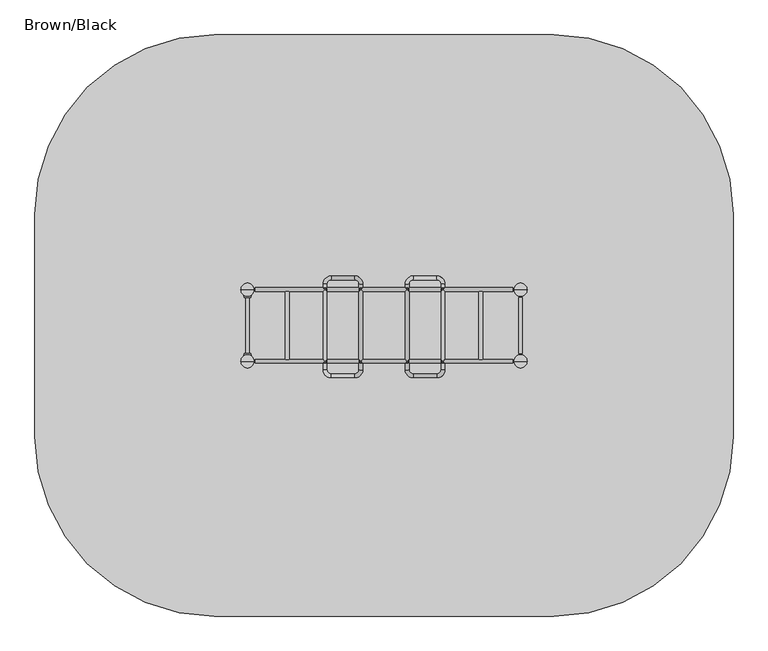
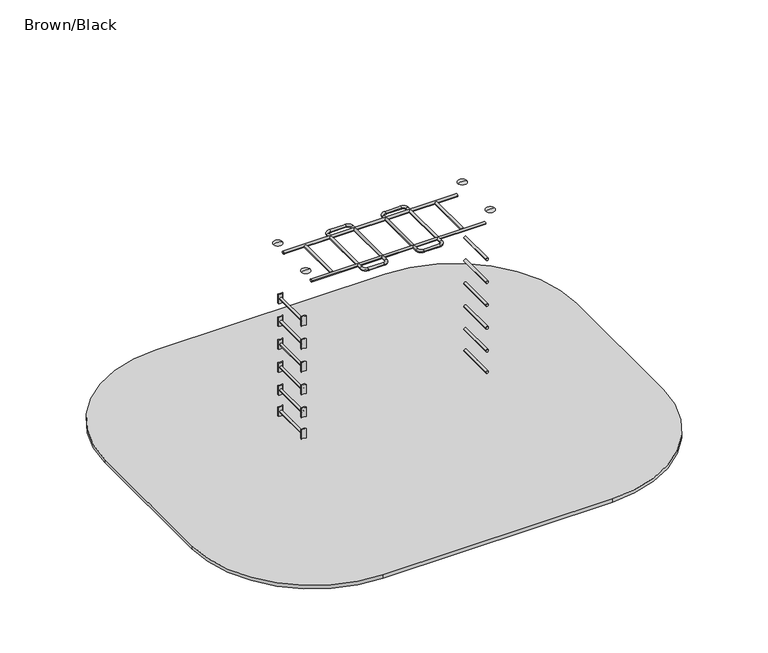
"""IFC4 building model written with IfcOpenShell, lengths in millimetres: furniture geometry, Brown/Black."""

from ifc_helpers import new_model, si_unit, point, frame, frame_2d, origin, place, context, project, spatial, polyline, circle_curve, ellipse_curve, trimmed, segment, composite_curve, outline, extrude, source, transform, mapped, element, save
from ifc_brep_helpers import plane_surface, cylinder_surface, revolved_surface, advanced_brep


def brown_black_25ac6911(model_context):
    return source(origin(), model_context, "Body", "SolidModel", [
        extrude(outline(composite_curve([segment(trimmed(circle_curve(frame_2d((-516.6300052, 757.9095317)), 1.0), [point((-517.1723266, 758.7497028))], [point((-515.6903126, 757.5675115))], False, "CARTESIAN"), True, "CONTINUOUS"), segment(polyline([(-515.6903126, 757.5675115), (-521.7605168, 740.8897626)]), True, "CONTINUOUS"), segment(trimmed(circle_curve(frame_2d((-522.7002094, 741.2317828)), 1.0), [point((-521.7605168, 740.8897626))], [point((-522.7002094, 740.2317828))], False, "CARTESIAN"), True, "CONTINUOUS"), segment(polyline([(-522.7002094, 740.2317828), (-571.2997943, 740.2317828)]), True, "CONTINUOUS"), segment(trimmed(circle_curve(frame_2d((-571.2997943, 741.2317828)), 1.0), [point((-571.2997943, 740.2317828))], [point((-572.2394869, 740.8897626))], False, "CARTESIAN"), True, "CONTINUOUS"), segment(polyline([(-572.2394869, 740.8897626), (-578.3096911, 757.5675115)]), True, "CONTINUOUS"), segment(trimmed(circle_curve(frame_2d((-577.3699985, 757.9095317)), 1.0), [point((-578.3096911, 757.5675115))], [point((-576.8276771, 758.7497028))], False, "CARTESIAN"), True, "CONTINUOUS"), segment(trimmed(circle_curve(frame_2d((-547.0000019, 804.9591151)), 55.0), [point((-576.8276771, 758.7497028))], [point((-517.1723266, 758.7497028))], True, "CARTESIAN"), True, "CONTINUOUS")], self_intersect=False)), frame((0.0, 0.0, 370.0), z_axis=(0.0, 0.0, 1.0), x_axis=(1.0, 0.0, 0.0)), (0.0, 0.0, 1.0), 120.0),
        extrude(outline(composite_curve([segment(trimmed(circle_curve(frame_2d((-577.3699948, 252.0740781)), 1.0), [point((-576.8276734, 251.233907))], [point((-578.3096874, 252.4160982))], False, "CARTESIAN"), True, "CONTINUOUS"), segment(polyline([(-578.3096874, 252.4160982), (-572.2394832, 269.0938471)]), True, "CONTINUOUS"), segment(trimmed(circle_curve(frame_2d((-571.2997906, 268.751827)), 1.0), [point((-572.2394832, 269.0938471))], [point((-571.2997906, 269.751827))], False, "CARTESIAN"), True, "CONTINUOUS"), segment(polyline([(-571.2997906, 269.751827), (-522.7002057, 269.751827)]), True, "CONTINUOUS"), segment(trimmed(circle_curve(frame_2d((-522.7002057, 268.751827)), 1.0), [point((-522.7002057, 269.751827))], [point((-521.7605131, 269.0938471))], False, "CARTESIAN"), True, "CONTINUOUS"), segment(polyline([(-521.7605131, 269.0938471), (-515.6903089, 252.4160982)]), True, "CONTINUOUS"), segment(trimmed(circle_curve(frame_2d((-516.6300015, 252.0740781)), 1.0), [point((-515.6903089, 252.4160982))], [point((-517.1723229, 251.233907))], False, "CARTESIAN"), True, "CONTINUOUS"), segment(trimmed(circle_curve(frame_2d((-546.9999981, 205.0244946)), 55.0), [point((-517.1723229, 251.233907))], [point((-576.8276734, 251.233907))], True, "CARTESIAN"), True, "CONTINUOUS")], self_intersect=False)), frame((0.0, 0.0, 370.0), z_axis=(0.0, 0.0, 1.0), x_axis=(1.0, 0.0, 0.0)), (0.0, 0.0, 1.0), 120.0),
        extrude(outline(composite_curve([segment(trimmed(circle_curve(frame_2d((-516.6300052, 757.9095317)), 1.0), [point((-517.1723266, 758.7497028))], [point((-515.6903126, 757.5675115))], False, "CARTESIAN"), True, "CONTINUOUS"), segment(polyline([(-515.6903126, 757.5675115), (-521.7605168, 740.8897626)]), True, "CONTINUOUS"), segment(trimmed(circle_curve(frame_2d((-522.7002094, 741.2317828)), 1.0), [point((-521.7605168, 740.8897626))], [point((-522.7002094, 740.2317828))], False, "CARTESIAN"), True, "CONTINUOUS"), segment(polyline([(-522.7002094, 740.2317828), (-571.2997943, 740.2317828)]), True, "CONTINUOUS"), segment(trimmed(circle_curve(frame_2d((-571.2997943, 741.2317828)), 1.0), [point((-571.2997943, 740.2317828))], [point((-572.2394869, 740.8897626))], False, "CARTESIAN"), True, "CONTINUOUS"), segment(polyline([(-572.2394869, 740.8897626), (-578.3096911, 757.5675115)]), True, "CONTINUOUS"), segment(trimmed(circle_curve(frame_2d((-577.3699985, 757.9095317)), 1.0), [point((-578.3096911, 757.5675115))], [point((-576.8276771, 758.7497028))], False, "CARTESIAN"), True, "CONTINUOUS"), segment(trimmed(circle_curve(frame_2d((-547.0000019, 804.9591151)), 55.0), [point((-576.8276771, 758.7497028))], [point((-517.1723266, 758.7497028))], True, "CARTESIAN"), True, "CONTINUOUS")], self_intersect=False)), frame((0.0, 0.0, 650.0), z_axis=(0.0, 0.0, 1.0), x_axis=(1.0, 0.0, 0.0)), (0.0, 0.0, 1.0), 120.0),
        extrude(outline(composite_curve([segment(trimmed(circle_curve(frame_2d((-577.3699948, 252.0740781)), 1.0), [point((-576.8276734, 251.233907))], [point((-578.3096874, 252.4160982))], False, "CARTESIAN"), True, "CONTINUOUS"), segment(polyline([(-578.3096874, 252.4160982), (-572.2394832, 269.0938471)]), True, "CONTINUOUS"), segment(trimmed(circle_curve(frame_2d((-571.2997906, 268.751827)), 1.0), [point((-572.2394832, 269.0938471))], [point((-571.2997906, 269.751827))], False, "CARTESIAN"), True, "CONTINUOUS"), segment(polyline([(-571.2997906, 269.751827), (-522.7002057, 269.751827)]), True, "CONTINUOUS"), segment(trimmed(circle_curve(frame_2d((-522.7002057, 268.751827)), 1.0), [point((-522.7002057, 269.751827))], [point((-521.7605131, 269.0938471))], False, "CARTESIAN"), True, "CONTINUOUS"), segment(polyline([(-521.7605131, 269.0938471), (-515.6903089, 252.4160982)]), True, "CONTINUOUS"), segment(trimmed(circle_curve(frame_2d((-516.6300015, 252.0740781)), 1.0), [point((-515.6903089, 252.4160982))], [point((-517.1723229, 251.233907))], False, "CARTESIAN"), True, "CONTINUOUS"), segment(trimmed(circle_curve(frame_2d((-546.9999981, 205.0244946)), 55.0), [point((-517.1723229, 251.233907))], [point((-576.8276734, 251.233907))], True, "CARTESIAN"), True, "CONTINUOUS")], self_intersect=False)), frame((0.0, 0.0, 650.0), z_axis=(0.0, 0.0, 1.0), x_axis=(1.0, 0.0, 0.0)), (0.0, 0.0, 1.0), 120.0),
        extrude(outline(composite_curve([segment(trimmed(circle_curve(frame_2d((-516.6300052, 757.9095317)), 1.0), [point((-517.1723266, 758.7497028))], [point((-515.6903126, 757.5675115))], False, "CARTESIAN"), True, "CONTINUOUS"), segment(polyline([(-515.6903126, 757.5675115), (-521.7605168, 740.8897626)]), True, "CONTINUOUS"), segment(trimmed(circle_curve(frame_2d((-522.7002094, 741.2317828)), 1.0), [point((-521.7605168, 740.8897626))], [point((-522.7002094, 740.2317828))], False, "CARTESIAN"), True, "CONTINUOUS"), segment(polyline([(-522.7002094, 740.2317828), (-571.2997943, 740.2317828)]), True, "CONTINUOUS"), segment(trimmed(circle_curve(frame_2d((-571.2997943, 741.2317828)), 1.0), [point((-571.2997943, 740.2317828))], [point((-572.2394869, 740.8897626))], False, "CARTESIAN"), True, "CONTINUOUS"), segment(polyline([(-572.2394869, 740.8897626), (-578.3096911, 757.5675115)]), True, "CONTINUOUS"), segment(trimmed(circle_curve(frame_2d((-577.3699985, 757.9095317)), 1.0), [point((-578.3096911, 757.5675115))], [point((-576.8276771, 758.7497028))], False, "CARTESIAN"), True, "CONTINUOUS"), segment(trimmed(circle_curve(frame_2d((-547.0000019, 804.9591151)), 55.0), [point((-576.8276771, 758.7497028))], [point((-517.1723266, 758.7497028))], True, "CARTESIAN"), True, "CONTINUOUS")], self_intersect=False)), frame((0.0, 0.0, 950.0), z_axis=(0.0, 0.0, 1.0), x_axis=(1.0, 0.0, 0.0)), (0.0, 0.0, 1.0), 120.0),
        extrude(outline(composite_curve([segment(trimmed(circle_curve(frame_2d((-577.3699948, 252.0740781)), 1.0), [point((-576.8276734, 251.233907))], [point((-578.3096874, 252.4160982))], False, "CARTESIAN"), True, "CONTINUOUS"), segment(polyline([(-578.3096874, 252.4160982), (-572.2394832, 269.0938471)]), True, "CONTINUOUS"), segment(trimmed(circle_curve(frame_2d((-571.2997906, 268.751827)), 1.0), [point((-572.2394832, 269.0938471))], [point((-571.2997906, 269.751827))], False, "CARTESIAN"), True, "CONTINUOUS"), segment(polyline([(-571.2997906, 269.751827), (-522.7002057, 269.751827)]), True, "CONTINUOUS"), segment(trimmed(circle_curve(frame_2d((-522.7002057, 268.751827)), 1.0), [point((-522.7002057, 269.751827))], [point((-521.7605131, 269.0938471))], False, "CARTESIAN"), True, "CONTINUOUS"), segment(polyline([(-521.7605131, 269.0938471), (-515.6903089, 252.4160982)]), True, "CONTINUOUS"), segment(trimmed(circle_curve(frame_2d((-516.6300015, 252.0740781)), 1.0), [point((-515.6903089, 252.4160982))], [point((-517.1723229, 251.233907))], False, "CARTESIAN"), True, "CONTINUOUS"), segment(trimmed(circle_curve(frame_2d((-546.9999981, 205.0244946)), 55.0), [point((-517.1723229, 251.233907))], [point((-576.8276734, 251.233907))], True, "CARTESIAN"), True, "CONTINUOUS")], self_intersect=False)), frame((0.0, 0.0, 950.0), z_axis=(0.0, 0.0, 1.0), x_axis=(1.0, 0.0, 0.0)), (0.0, 0.0, 1.0), 120.0),
        extrude(outline(composite_curve([segment(trimmed(circle_curve(frame_2d((-516.6300052, 757.9095317)), 1.0), [point((-517.1723266, 758.7497028))], [point((-515.6903126, 757.5675115))], False, "CARTESIAN"), True, "CONTINUOUS"), segment(polyline([(-515.6903126, 757.5675115), (-521.7605168, 740.8897626)]), True, "CONTINUOUS"), segment(trimmed(circle_curve(frame_2d((-522.7002094, 741.2317828)), 1.0), [point((-521.7605168, 740.8897626))], [point((-522.7002094, 740.2317828))], False, "CARTESIAN"), True, "CONTINUOUS"), segment(polyline([(-522.7002094, 740.2317828), (-571.2997943, 740.2317828)]), True, "CONTINUOUS"), segment(trimmed(circle_curve(frame_2d((-571.2997943, 741.2317828)), 1.0), [point((-571.2997943, 740.2317828))], [point((-572.2394869, 740.8897626))], False, "CARTESIAN"), True, "CONTINUOUS"), segment(polyline([(-572.2394869, 740.8897626), (-578.3096911, 757.5675115)]), True, "CONTINUOUS"), segment(trimmed(circle_curve(frame_2d((-577.3699985, 757.9095317)), 1.0), [point((-578.3096911, 757.5675115))], [point((-576.8276771, 758.7497028))], False, "CARTESIAN"), True, "CONTINUOUS"), segment(trimmed(circle_curve(frame_2d((-547.0000019, 804.9591151)), 55.0), [point((-576.8276771, 758.7497028))], [point((-517.1723266, 758.7497028))], True, "CARTESIAN"), True, "CONTINUOUS")], self_intersect=False)), frame((0.0, 0.0, 1250.0), z_axis=(0.0, 0.0, 1.0), x_axis=(1.0, 0.0, 0.0)), (0.0, 0.0, 1.0), 120.0),
        extrude(outline(composite_curve([segment(trimmed(circle_curve(frame_2d((-577.3699948, 252.0740781)), 1.0), [point((-576.8276734, 251.233907))], [point((-578.3096874, 252.4160982))], False, "CARTESIAN"), True, "CONTINUOUS"), segment(polyline([(-578.3096874, 252.4160982), (-572.2394832, 269.0938471)]), True, "CONTINUOUS"), segment(trimmed(circle_curve(frame_2d((-571.2997906, 268.751827)), 1.0), [point((-572.2394832, 269.0938471))], [point((-571.2997906, 269.751827))], False, "CARTESIAN"), True, "CONTINUOUS"), segment(polyline([(-571.2997906, 269.751827), (-522.7002057, 269.751827)]), True, "CONTINUOUS"), segment(trimmed(circle_curve(frame_2d((-522.7002057, 268.751827)), 1.0), [point((-522.7002057, 269.751827))], [point((-521.7605131, 269.0938471))], False, "CARTESIAN"), True, "CONTINUOUS"), segment(polyline([(-521.7605131, 269.0938471), (-515.6903089, 252.4160982)]), True, "CONTINUOUS"), segment(trimmed(circle_curve(frame_2d((-516.6300015, 252.0740781)), 1.0), [point((-515.6903089, 252.4160982))], [point((-517.1723229, 251.233907))], False, "CARTESIAN"), True, "CONTINUOUS"), segment(trimmed(circle_curve(frame_2d((-546.9999981, 205.0244946)), 55.0), [point((-517.1723229, 251.233907))], [point((-576.8276734, 251.233907))], True, "CARTESIAN"), True, "CONTINUOUS")], self_intersect=False)), frame((0.0, 0.0, 1250.0), z_axis=(0.0, 0.0, 1.0), x_axis=(1.0, 0.0, 0.0)), (0.0, 0.0, 1.0), 120.0),
        extrude(outline(composite_curve([segment(trimmed(circle_curve(frame_2d((-516.6300052, 757.9095317)), 1.0), [point((-517.1723266, 758.7497028))], [point((-515.6903126, 757.5675115))], False, "CARTESIAN"), True, "CONTINUOUS"), segment(polyline([(-515.6903126, 757.5675115), (-521.7605168, 740.8897626)]), True, "CONTINUOUS"), segment(trimmed(circle_curve(frame_2d((-522.7002094, 741.2317828)), 1.0), [point((-521.7605168, 740.8897626))], [point((-522.7002094, 740.2317828))], False, "CARTESIAN"), True, "CONTINUOUS"), segment(polyline([(-522.7002094, 740.2317828), (-571.2997943, 740.2317828)]), True, "CONTINUOUS"), segment(trimmed(circle_curve(frame_2d((-571.2997943, 741.2317828)), 1.0), [point((-571.2997943, 740.2317828))], [point((-572.2394869, 740.8897626))], False, "CARTESIAN"), True, "CONTINUOUS"), segment(polyline([(-572.2394869, 740.8897626), (-578.3096911, 757.5675115)]), True, "CONTINUOUS"), segment(trimmed(circle_curve(frame_2d((-577.3699985, 757.9095317)), 1.0), [point((-578.3096911, 757.5675115))], [point((-576.8276771, 758.7497028))], False, "CARTESIAN"), True, "CONTINUOUS"), segment(trimmed(circle_curve(frame_2d((-547.0000019, 804.9591151)), 55.0), [point((-576.8276771, 758.7497028))], [point((-517.1723266, 758.7497028))], True, "CARTESIAN"), True, "CONTINUOUS")], self_intersect=False)), frame((0.0, 0.0, 1550.0), z_axis=(0.0, 0.0, 1.0), x_axis=(1.0, 0.0, 0.0)), (0.0, 0.0, 1.0), 120.0),
        extrude(outline(composite_curve([segment(trimmed(circle_curve(frame_2d((-577.3699948, 252.0740781)), 1.0), [point((-576.8276734, 251.233907))], [point((-578.3096874, 252.4160982))], False, "CARTESIAN"), True, "CONTINUOUS"), segment(polyline([(-578.3096874, 252.4160982), (-572.2394832, 269.0938471)]), True, "CONTINUOUS"), segment(trimmed(circle_curve(frame_2d((-571.2997906, 268.751827)), 1.0), [point((-572.2394832, 269.0938471))], [point((-571.2997906, 269.751827))], False, "CARTESIAN"), True, "CONTINUOUS"), segment(polyline([(-571.2997906, 269.751827), (-522.7002057, 269.751827)]), True, "CONTINUOUS"), segment(trimmed(circle_curve(frame_2d((-522.7002057, 268.751827)), 1.0), [point((-522.7002057, 269.751827))], [point((-521.7605131, 269.0938471))], False, "CARTESIAN"), True, "CONTINUOUS"), segment(polyline([(-521.7605131, 269.0938471), (-515.6903089, 252.4160982)]), True, "CONTINUOUS"), segment(trimmed(circle_curve(frame_2d((-516.6300015, 252.0740781)), 1.0), [point((-515.6903089, 252.4160982))], [point((-517.1723229, 251.233907))], False, "CARTESIAN"), True, "CONTINUOUS"), segment(trimmed(circle_curve(frame_2d((-546.9999981, 205.0244946)), 55.0), [point((-517.1723229, 251.233907))], [point((-576.8276734, 251.233907))], True, "CARTESIAN"), True, "CONTINUOUS")], self_intersect=False)), frame((0.0, 0.0, 1550.0), z_axis=(0.0, 0.0, 1.0), x_axis=(1.0, 0.0, 0.0)), (0.0, 0.0, 1.0), 120.0),
        advanced_brep(
        [(1794.0, 805.0, 2600.0), (1684.0, 805.0, 2600.0), (1739.0, 805.0, 2612.0246565), (1739.0, 805.0, 2600.0)],
        [
            (0, 1, circle_curve(frame((1739.0, 805.0, 2600.0), z_axis=(0.0, 0.0, 1.0), x_axis=(-1.0, 0.0, 0.0)), 55.0)),
            (1, 2, circle_curve(frame((1734.4549856, 805.0, 2501.0177111), z_axis=(0.0, 1.0, 0.0), x_axis=(-1.0, 0.0, 0.0)), 111.0999509)),
            (2, 0, circle_curve(frame((1743.5450144, 805.0, 2501.0177111), z_axis=(0.0, 1.0, 0.0), x_axis=(1.0, 0.0, 0.0)), 111.0999509)),
            (1, 0, circle_curve(frame((1739.0, 805.0, 2600.0), z_axis=(0.0, 0.0, 1.0), x_axis=(-1.0, 0.0, 0.0)), 55.0)),
            (3, 1),
            (0, 3),
        ],
        [
            revolved_surface(trimmed(ellipse_curve(frame((1734.4549856, 805.0, 2501.0177111), z_axis=(0.0, -1.0, 0.0), x_axis=(-1.0, 0.0, 0.0)), 111.0999509, 111.0999509), [point((1739.0, 805.0, 2612.0246565))], [point((1684.0, 805.0, 2600.0))], True, "CARTESIAN"), (1739.0, 805.0, 2219.0), (0.0, 0.0, -1.0)),
            plane_surface(frame((1739.0, 805.0, 2600.0), z_axis=(0.0, 0.0, -1.0), x_axis=(-1.0, 0.0, 0.0))),
        ],
        [
            (0, [[1, 2, 3]]),
            (0, [[4, -3, -2]]),
            (1, [[5, -1, 6]]),
            (1, [[-6, -4, -5]]),
        ],
    ),
        extrude(outline(composite_curve([segment(trimmed(circle_curve(frame_2d((-516.6300052, 757.9095317)), 1.0), [point((-517.1723266, 758.7497028))], [point((-515.6903126, 757.5675115))], False, "CARTESIAN"), True, "CONTINUOUS"), segment(polyline([(-515.6903126, 757.5675115), (-521.7605168, 740.8897626)]), True, "CONTINUOUS"), segment(trimmed(circle_curve(frame_2d((-522.7002094, 741.2317828)), 1.0), [point((-521.7605168, 740.8897626))], [point((-522.7002094, 740.2317828))], False, "CARTESIAN"), True, "CONTINUOUS"), segment(polyline([(-522.7002094, 740.2317828), (-571.2997943, 740.2317828)]), True, "CONTINUOUS"), segment(trimmed(circle_curve(frame_2d((-571.2997943, 741.2317828)), 1.0), [point((-571.2997943, 740.2317828))], [point((-572.2394869, 740.8897626))], False, "CARTESIAN"), True, "CONTINUOUS"), segment(polyline([(-572.2394869, 740.8897626), (-578.3096911, 757.5675115)]), True, "CONTINUOUS"), segment(trimmed(circle_curve(frame_2d((-577.3699985, 757.9095317)), 1.0), [point((-578.3096911, 757.5675115))], [point((-576.8276771, 758.7497028))], False, "CARTESIAN"), True, "CONTINUOUS"), segment(trimmed(circle_curve(frame_2d((-547.0000019, 804.9591151)), 55.0), [point((-576.8276771, 758.7497028))], [point((-517.1723266, 758.7497028))], True, "CARTESIAN"), True, "CONTINUOUS")], self_intersect=False)), frame((0.0, 0.0, 1850.0), z_axis=(0.0, 0.0, 1.0), x_axis=(1.0, 0.0, 0.0)), (0.0, 0.0, 1.0), 120.0),
        extrude(outline(composite_curve([segment(trimmed(circle_curve(frame_2d((-577.3699948, 252.0740781)), 1.0), [point((-576.8276734, 251.233907))], [point((-578.3096874, 252.4160982))], False, "CARTESIAN"), True, "CONTINUOUS"), segment(polyline([(-578.3096874, 252.4160982), (-572.2394832, 269.0938471)]), True, "CONTINUOUS"), segment(trimmed(circle_curve(frame_2d((-571.2997906, 268.751827)), 1.0), [point((-572.2394832, 269.0938471))], [point((-571.2997906, 269.751827))], False, "CARTESIAN"), True, "CONTINUOUS"), segment(polyline([(-571.2997906, 269.751827), (-522.7002057, 269.751827)]), True, "CONTINUOUS"), segment(trimmed(circle_curve(frame_2d((-522.7002057, 268.751827)), 1.0), [point((-522.7002057, 269.751827))], [point((-521.7605131, 269.0938471))], False, "CARTESIAN"), True, "CONTINUOUS"), segment(polyline([(-521.7605131, 269.0938471), (-515.6903089, 252.4160982)]), True, "CONTINUOUS"), segment(trimmed(circle_curve(frame_2d((-516.6300015, 252.0740781)), 1.0), [point((-515.6903089, 252.4160982))], [point((-517.1723229, 251.233907))], False, "CARTESIAN"), True, "CONTINUOUS"), segment(trimmed(circle_curve(frame_2d((-546.9999981, 205.0244946)), 55.0), [point((-517.1723229, 251.233907))], [point((-576.8276734, 251.233907))], True, "CARTESIAN"), True, "CONTINUOUS")], self_intersect=False)), frame((0.0, 0.0, 1850.0), z_axis=(0.0, 0.0, 1.0), x_axis=(1.0, 0.0, 0.0)), (0.0, 0.0, 1.0), 120.0),
        advanced_brep(
        [(-492.0, 805.0, 2600.0), (-602.0, 805.0, 2600.0), (-547.0, 805.0, 2612.0246565), (-547.0, 805.0, 2600.0)],
        [
            (0, 1, circle_curve(frame((-547.0, 805.0, 2600.0), z_axis=(0.0, 0.0, 1.0), x_axis=(-1.0, 0.0, 0.0)), 55.0)),
            (1, 2, circle_curve(frame((-551.5450144, 805.0, 2501.0177111), z_axis=(0.0, 1.0, 0.0), x_axis=(-1.0, 0.0, 0.0)), 111.0999509)),
            (2, 0, circle_curve(frame((-542.4549856, 805.0, 2501.0177111), z_axis=(0.0, 1.0, 0.0), x_axis=(1.0, 0.0, 0.0)), 111.0999509)),
            (1, 0, circle_curve(frame((-547.0, 805.0, 2600.0), z_axis=(0.0, 0.0, 1.0), x_axis=(-1.0, 0.0, 0.0)), 55.0)),
            (3, 1),
            (0, 3),
        ],
        [
            revolved_surface(trimmed(ellipse_curve(frame((-551.5450144, 805.0, 2501.0177111), z_axis=(0.0, -1.0, 0.0), x_axis=(-1.0, 0.0, 0.0)), 111.0999509, 111.0999509), [point((-547.0, 805.0, 2612.0246565))], [point((-602.0, 805.0, 2600.0))], True, "CARTESIAN"), (-547.0, 805.0, 2219.0), (0.0, 0.0, -1.0)),
            plane_surface(frame((-547.0, 805.0, 2600.0), z_axis=(0.0, 0.0, -1.0), x_axis=(-1.0, 0.0, 0.0))),
        ],
        [
            (0, [[1, 2, 3]]),
            (0, [[4, -3, -2]]),
            (1, [[5, -1, 6]]),
            (1, [[-6, -4, -5]]),
        ],
    ),
        advanced_brep(
        [(1794.0, 205.0, 2600.0), (1684.0, 205.0, 2600.0), (1739.0, 205.0, 2612.0246565), (1739.0, 205.0, 2600.0)],
        [
            (0, 1, circle_curve(frame((1739.0, 205.0, 2600.0), z_axis=(0.0, 0.0, 1.0), x_axis=(-1.0, 0.0, 0.0)), 55.0)),
            (1, 2, circle_curve(frame((1734.4549856, 205.0, 2501.0177111), z_axis=(0.0, 1.0, 0.0), x_axis=(-1.0, 0.0, 0.0)), 111.0999509)),
            (2, 0, circle_curve(frame((1743.5450144, 205.0, 2501.0177111), z_axis=(0.0, 1.0, 0.0), x_axis=(1.0, 0.0, 0.0)), 111.0999509)),
            (1, 0, circle_curve(frame((1739.0, 205.0, 2600.0), z_axis=(0.0, 0.0, 1.0), x_axis=(-1.0, 0.0, 0.0)), 55.0)),
            (3, 1),
            (0, 3),
        ],
        [
            revolved_surface(trimmed(ellipse_curve(frame((1734.4549856, 205.0, 2501.0177111), z_axis=(0.0, -1.0, 0.0), x_axis=(-1.0, 0.0, 0.0)), 111.0999509, 111.0999509), [point((1739.0, 205.0, 2612.0246565))], [point((1684.0, 205.0, 2600.0))], True, "CARTESIAN"), (1739.0, 205.0, 2219.0), (0.0, 0.0, -1.0)),
            plane_surface(frame((1739.0, 205.0, 2600.0), z_axis=(0.0, 0.0, -1.0), x_axis=(-1.0, 0.0, 0.0))),
        ],
        [
            (0, [[1, 2, 3]]),
            (0, [[4, -3, -2]]),
            (1, [[5, -1, 6]]),
            (1, [[-6, -4, -5]]),
        ],
    ),
        advanced_brep(
        [(-492.0, 205.0, 2600.0), (-602.0, 205.0, 2600.0), (-547.0, 205.0, 2612.0246565), (-547.0, 205.0, 2600.0)],
        [
            (0, 1, circle_curve(frame((-547.0, 205.0, 2600.0), z_axis=(0.0, 0.0, 1.0), x_axis=(-1.0, 0.0, 0.0)), 55.0)),
            (1, 2, circle_curve(frame((-551.5450144, 205.0, 2501.0177111), z_axis=(0.0, 1.0, 0.0), x_axis=(-1.0, 0.0, 0.0)), 111.0999509)),
            (2, 0, circle_curve(frame((-542.4549856, 205.0, 2501.0177111), z_axis=(0.0, 1.0, 0.0), x_axis=(1.0, 0.0, 0.0)), 111.0999509)),
            (1, 0, circle_curve(frame((-547.0, 205.0, 2600.0), z_axis=(0.0, 0.0, 1.0), x_axis=(-1.0, 0.0, 0.0)), 55.0)),
            (3, 1),
            (0, 3),
        ],
        [
            revolved_surface(trimmed(ellipse_curve(frame((-551.5450144, 205.0, 2501.0177111), z_axis=(0.0, -1.0, 0.0), x_axis=(-1.0, 0.0, 0.0)), 111.0999509, 111.0999509), [point((-547.0, 205.0, 2612.0246565))], [point((-602.0, 205.0, 2600.0))], True, "CARTESIAN"), (-547.0, 205.0, 2219.0), (0.0, 0.0, -1.0)),
            plane_surface(frame((-547.0, 205.0, 2600.0), z_axis=(0.0, 0.0, -1.0), x_axis=(-1.0, 0.0, 0.0))),
        ],
        [
            (0, [[1, 2, 3]]),
            (0, [[4, -3, -2]]),
            (1, [[5, -1, 6]]),
            (1, [[-6, -4, -5]]),
        ],
    ),
        extrude(outline(composite_curve([segment(trimmed(circle_curve(frame_2d((2450.015973, 1405.8153851)), 16.0), [point((2450.015973, 1421.8153851))], [point((2450.015973, 1389.8153851))], False, "CARTESIAN"), True, "CONTINUOUS"), segment(trimmed(circle_curve(frame_2d((2450.015973, 1405.8153851)), 16.0), [point((2450.015973, 1389.8153851))], [point((2450.015973, 1421.8153851))], False, "CARTESIAN"), True, "CONTINUOUS")], self_intersect=False)), frame((0.0, 221.0000669, 0.0), z_axis=(0.0, 1.0, 0.0), x_axis=(0.0, 0.0, 1.0)), (0.0, 0.0, 1.0), 567.999459),
        advanced_brep(
        [(773.5039095, 853.7235244, 2450.015973), (839.5039095, 919.7235244, 2450.015973), (839.5039095, 887.7235244, 2450.015973), (805.5039095, 853.7235244, 2450.015973), (805.5039095, 133.7235244, 2450.015973), (773.5039095, 133.7235244, 2450.015973), (839.5039095, 67.7235244, 2450.015973), (839.5039095, 99.7235244, 2450.015973), (1039.5039095, 99.7235244, 2450.015973), (1039.5039095, 67.7235244, 2450.015973), (1105.5039095, 133.7235244, 2450.015973), (1073.5039095, 133.7235244, 2450.015973), (1073.5039095, 853.7235244, 2450.015973), (1105.5039095, 853.7235244, 2450.015973), (1039.5039095, 919.7235244, 2450.015973), (1039.5039095, 887.7235244, 2450.015973)],
        [
            (0, 1, circle_curve(frame((839.5039095, 853.7235244, 2450.015973), z_axis=(0.0, 0.0, -1.0), x_axis=(0.0, 1.0, 0.0)), 66.0)),
            (1, 2, circle_curve(frame((839.5039095, 903.7235244, 2450.015973), z_axis=(-1.0, 0.0, 0.0), x_axis=(0.0, -1.0, 0.0)), 16.0)),
            (2, 3, circle_curve(frame((839.5039095, 853.7235244, 2450.015973), z_axis=(0.0, 0.0, 1.0), x_axis=(0.0, 1.0, 0.0)), 34.0)),
            (3, 0, circle_curve(frame((789.5039095, 853.7235244, 2450.015973), z_axis=(0.0, 1.0, 0.0), x_axis=(1.0, 0.0, 0.0)), 16.0)),
            (2, 1, circle_curve(frame((839.5039095, 903.7235244, 2450.015973), z_axis=(-1.0, 0.0, 0.0), x_axis=(0.0, -1.0, 0.0)), 16.0)),
            (0, 3, circle_curve(frame((789.5039095, 853.7235244, 2450.015973), z_axis=(0.0, 1.0, 0.0), x_axis=(1.0, 0.0, 0.0)), 16.0)),
            (3, 4),
            (4, 5, circle_curve(frame((789.5039095, 133.7235244, 2450.015973), z_axis=(0.0, 1.0, 0.0), x_axis=(1.0, 0.0, 0.0)), 16.0)),
            (5, 0),
            (5, 4, circle_curve(frame((789.5039095, 133.7235244, 2450.015973), z_axis=(0.0, 1.0, 0.0), x_axis=(1.0, 0.0, 0.0)), 16.0)),
            (6, 5, circle_curve(frame((839.5039095, 133.7235244, 2450.015973), z_axis=(0.0, 0.0, -1.0), x_axis=(-1.0, 0.0, 0.0)), 66.0)),
            (4, 7, circle_curve(frame((839.5039095, 133.7235244, 2450.015973), z_axis=(0.0, 0.0, 1.0), x_axis=(-1.0, 0.0, 0.0)), 34.0)),
            (7, 6, circle_curve(frame((839.5039095, 83.7235244, 2450.015973), z_axis=(-1.0, 0.0, 0.0), x_axis=(0.0, 1.0, 0.0)), 16.0)),
            (6, 7, circle_curve(frame((839.5039095, 83.7235244, 2450.015973), z_axis=(-1.0, 0.0, 0.0), x_axis=(0.0, 1.0, 0.0)), 16.0)),
            (7, 8),
            (8, 9, circle_curve(frame((1039.5039095, 83.7235244, 2450.015973), z_axis=(-1.0, 0.0, 0.0), x_axis=(0.0, 1.0, 0.0)), 16.0)),
            (9, 6),
            (9, 8, circle_curve(frame((1039.5039095, 83.7235244, 2450.015973), z_axis=(-1.0, 0.0, 0.0), x_axis=(0.0, 1.0, 0.0)), 16.0)),
            (10, 9, circle_curve(frame((1039.5039095, 133.7235244, 2450.015973), z_axis=(0.0, 0.0, -1.0), x_axis=(0.0, -1.0, 0.0)), 66.0)),
            (8, 11, circle_curve(frame((1039.5039095, 133.7235244, 2450.015973), z_axis=(0.0, 0.0, 1.0), x_axis=(0.0, -1.0, 0.0)), 34.0)),
            (11, 10, circle_curve(frame((1089.5039095, 133.7235244, 2450.015973), z_axis=(0.0, -1.0, 0.0), x_axis=(-1.0, 0.0, 0.0)), 16.0)),
            (10, 11, circle_curve(frame((1089.5039095, 133.7235244, 2450.015973), z_axis=(0.0, -1.0, 0.0), x_axis=(-1.0, 0.0, 0.0)), 16.0)),
            (11, 12),
            (12, 13, circle_curve(frame((1089.5039095, 853.7235244, 2450.015973), z_axis=(0.0, -1.0, 0.0), x_axis=(-1.0, 0.0, 0.0)), 16.0)),
            (13, 10),
            (13, 12, circle_curve(frame((1089.5039095, 853.7235244, 2450.015973), z_axis=(0.0, -1.0, 0.0), x_axis=(-1.0, 0.0, 0.0)), 16.0)),
            (14, 13, circle_curve(frame((1039.5039095, 853.7235244, 2450.015973), z_axis=(0.0, 0.0, -1.0), x_axis=(1.0, 0.0, 0.0)), 66.0)),
            (12, 15, circle_curve(frame((1039.5039095, 853.7235244, 2450.015973), z_axis=(0.0, 0.0, 1.0), x_axis=(1.0, 0.0, 0.0)), 34.0)),
            (15, 14, circle_curve(frame((1039.5039095, 903.7235244, 2450.015973), z_axis=(1.0, 0.0, 0.0), x_axis=(0.0, -1.0, 0.0)), 16.0)),
            (14, 15, circle_curve(frame((1039.5039095, 903.7235244, 2450.015973), z_axis=(1.0, 0.0, 0.0), x_axis=(0.0, -1.0, 0.0)), 16.0)),
            (15, 2),
            (1, 14),
        ],
        [
            revolved_surface(trimmed(ellipse_curve(frame((839.5039095, 903.7235244, 2450.015973), z_axis=(1.0, 0.0, 0.0), x_axis=(0.0, -1.0, 0.0)), 16.0, 16.0), [point((839.5039095, 887.7235244, 2450.015973))], [point((839.5039095, 919.7235244, 2450.015973))], True, "CARTESIAN"), (839.5039095, 853.7235244, 2450.015973), (0.0, 0.0, 1.0)),
            revolved_surface(trimmed(ellipse_curve(frame((839.5039095, 903.7235244, 2450.015973), z_axis=(1.0, 0.0, 0.0), x_axis=(0.0, -1.0, 0.0)), 16.0, 16.0), [point((839.5039095, 919.7235244, 2450.015973))], [point((839.5039095, 887.7235244, 2450.015973))], True, "CARTESIAN"), (839.5039095, 853.7235244, 2450.015973), (0.0, 0.0, 1.0)),
            cylinder_surface(frame((789.5039095, 853.7235244, 2450.015973), z_axis=(0.0, 1.0, 0.0), x_axis=(1.0, 0.0, 0.0)), 16.0),
            revolved_surface(trimmed(ellipse_curve(frame((789.5039095, 133.7235244, 2450.015973), z_axis=(0.0, 1.0, 0.0), x_axis=(1.0, 0.0, 0.0)), 16.0, 16.0), [point((805.5039095, 133.7235244, 2450.015973))], [point((773.5039095, 133.7235244, 2450.015973))], True, "CARTESIAN"), (839.5039095, 133.7235244, 2450.015973), (0.0, 0.0, 1.0)),
            revolved_surface(trimmed(ellipse_curve(frame((789.5039095, 133.7235244, 2450.015973), z_axis=(0.0, 1.0, 0.0), x_axis=(1.0, 0.0, 0.0)), 16.0, 16.0), [point((773.5039095, 133.7235244, 2450.015973))], [point((805.5039095, 133.7235244, 2450.015973))], True, "CARTESIAN"), (839.5039095, 133.7235244, 2450.015973), (0.0, 0.0, 1.0)),
            cylinder_surface(frame((839.5039095, 83.7235244, 2450.015973), z_axis=(-1.0, 0.0, 0.0), x_axis=(0.0, 1.0, 0.0)), 16.0),
            revolved_surface(trimmed(ellipse_curve(frame((1039.5039095, 83.7235244, 2450.015973), z_axis=(-1.0, 0.0, 0.0), x_axis=(0.0, 1.0, 0.0)), 16.0, 16.0), [point((1039.5039095, 99.7235244, 2450.015973))], [point((1039.5039095, 67.7235244, 2450.015973))], True, "CARTESIAN"), (1039.5039095, 133.7235244, 2450.015973), (0.0, 0.0, 1.0)),
            revolved_surface(trimmed(ellipse_curve(frame((1039.5039095, 83.7235244, 2450.015973), z_axis=(-1.0, 0.0, 0.0), x_axis=(0.0, 1.0, 0.0)), 16.0, 16.0), [point((1039.5039095, 67.7235244, 2450.015973))], [point((1039.5039095, 99.7235244, 2450.015973))], True, "CARTESIAN"), (1039.5039095, 133.7235244, 2450.015973), (0.0, 0.0, 1.0)),
            cylinder_surface(frame((1089.5039095, 133.7235244, 2450.015973), z_axis=(0.0, -1.0, 0.0), x_axis=(-1.0, 0.0, 0.0)), 16.0),
            revolved_surface(trimmed(ellipse_curve(frame((1089.5039095, 853.7235244, 2450.015973), z_axis=(0.0, -1.0, 0.0), x_axis=(-1.0, 0.0, 0.0)), 16.0, 16.0), [point((1073.5039095, 853.7235244, 2450.015973))], [point((1105.5039095, 853.7235244, 2450.015973))], True, "CARTESIAN"), (1039.5039095, 853.7235244, 2450.015973), (0.0, 0.0, 1.0)),
            revolved_surface(trimmed(ellipse_curve(frame((1089.5039095, 853.7235244, 2450.015973), z_axis=(0.0, -1.0, 0.0), x_axis=(-1.0, 0.0, 0.0)), 16.0, 16.0), [point((1105.5039095, 853.7235244, 2450.015973))], [point((1073.5039095, 853.7235244, 2450.015973))], True, "CARTESIAN"), (1039.5039095, 853.7235244, 2450.015973), (0.0, 0.0, 1.0)),
            cylinder_surface(frame((1039.5039095, 903.7235244, 2450.015973), z_axis=(1.0, 0.0, 0.0), x_axis=(0.0, -1.0, 0.0)), 16.0),
        ],
        [
            (0, [[1, 2, 3, 4]]),
            (1, [[-3, 5, -1, 6]]),
            (2, [[-4, 7, 8, 9]]),
            (2, [[-6, -9, 10, -7]]),
            (3, [[11, -8, 12, 13]]),
            (4, [[-12, -10, -11, 14]]),
            (5, [[-13, 15, 16, 17]]),
            (5, [[-14, -17, 18, -15]]),
            (6, [[19, -16, 20, 21]]),
            (7, [[-20, -18, -19, 22]]),
            (8, [[-21, 23, 24, 25]]),
            (8, [[-22, -25, 26, -23]]),
            (9, [[27, -24, 28, 29]]),
            (10, [[-28, -26, -27, 30]]),
            (11, [[-29, 31, -2, 32]]),
            (11, [[-30, -32, -5, -31]]),
        ],
    ),
        extrude(outline(composite_curve([segment(trimmed(circle_curve(frame_2d((2450.015973, -213.8153851)), 16.0), [point((2450.015973, -229.8153851))], [point((2450.015973, -197.8153851))], False, "CARTESIAN"), True, "CONTINUOUS"), segment(trimmed(circle_curve(frame_2d((2450.015973, -213.8153851)), 16.0), [point((2450.015973, -197.8153851))], [point((2450.015973, -229.8153851))], False, "CARTESIAN"), True, "CONTINUOUS")], self_intersect=False)), frame((0.0, 221.0000669, 0.0), z_axis=(0.0, 1.0, 0.0), x_axis=(0.0, 0.0, 1.0)), (0.0, 0.0, 1.0), 567.999459),
        advanced_brep(
        [(418.4960905, 853.7235244, 2450.015973), (352.4960905, 919.7235244, 2450.015973), (352.4960905, 887.7235244, 2450.015973), (386.4960905, 853.7235244, 2450.015973), (386.4960905, 133.7235244, 2450.015973), (418.4960905, 133.7235244, 2450.015973), (352.4960905, 67.7235244, 2450.015973), (352.4960905, 99.7235244, 2450.015973), (152.4960905, 99.7235244, 2450.015973), (152.4960905, 67.7235244, 2450.015973), (86.4960905, 133.7235244, 2450.015973), (118.4960905, 133.7235244, 2450.015973), (118.4960905, 853.7235244, 2450.015973), (86.4960905, 853.7235244, 2450.015973), (152.4960905, 919.7235244, 2450.015973), (152.4960905, 887.7235244, 2450.015973)],
        [
            (0, 1, circle_curve(frame((352.4960905, 853.7235244, 2450.015973), z_axis=(0.0, 0.0, 1.0), x_axis=(0.0, 1.0, 0.0)), 66.0)),
            (1, 2, circle_curve(frame((352.4960905, 903.7235244, 2450.015973), z_axis=(1.0, 0.0, 0.0), x_axis=(0.0, 1.0, 0.0)), 16.0)),
            (2, 3, circle_curve(frame((352.4960905, 853.7235244, 2450.015973), z_axis=(0.0, 0.0, -1.0), x_axis=(0.0, 1.0, 0.0)), 34.0)),
            (3, 0, circle_curve(frame((402.4960905, 853.7235244, 2450.015973), z_axis=(0.0, 1.0, 0.0), x_axis=(1.0, 0.0, 0.0)), 16.0)),
            (2, 1, circle_curve(frame((352.4960905, 903.7235244, 2450.015973), z_axis=(1.0, 0.0, 0.0), x_axis=(0.0, 1.0, 0.0)), 16.0)),
            (0, 3, circle_curve(frame((402.4960905, 853.7235244, 2450.015973), z_axis=(0.0, 1.0, 0.0), x_axis=(1.0, 0.0, 0.0)), 16.0)),
            (3, 4),
            (4, 5, circle_curve(frame((402.4960905, 133.7235244, 2450.015973), z_axis=(0.0, 1.0, 0.0), x_axis=(1.0, 0.0, 0.0)), 16.0)),
            (5, 0),
            (5, 4, circle_curve(frame((402.4960905, 133.7235244, 2450.015973), z_axis=(0.0, 1.0, 0.0), x_axis=(1.0, 0.0, 0.0)), 16.0)),
            (6, 5, circle_curve(frame((352.4960905, 133.7235244, 2450.015973), z_axis=(0.0, 0.0, 1.0), x_axis=(1.0, 0.0, 0.0)), 66.0)),
            (4, 7, circle_curve(frame((352.4960905, 133.7235244, 2450.015973), z_axis=(0.0, 0.0, -1.0), x_axis=(1.0, 0.0, 0.0)), 34.0)),
            (7, 6, circle_curve(frame((352.4960905, 83.7235244, 2450.015973), z_axis=(1.0, 0.0, 0.0), x_axis=(0.0, -1.0, 0.0)), 16.0)),
            (6, 7, circle_curve(frame((352.4960905, 83.7235244, 2450.015973), z_axis=(1.0, 0.0, 0.0), x_axis=(0.0, -1.0, 0.0)), 16.0)),
            (7, 8),
            (8, 9, circle_curve(frame((152.4960905, 83.7235244, 2450.015973), z_axis=(1.0, 0.0, 0.0), x_axis=(0.0, -1.0, 0.0)), 16.0)),
            (9, 6),
            (9, 8, circle_curve(frame((152.4960905, 83.7235244, 2450.015973), z_axis=(1.0, 0.0, 0.0), x_axis=(0.0, -1.0, 0.0)), 16.0)),
            (10, 9, circle_curve(frame((152.4960905, 133.7235244, 2450.015973), z_axis=(0.0, 0.0, 1.0), x_axis=(0.0, -1.0, 0.0)), 66.0)),
            (8, 11, circle_curve(frame((152.4960905, 133.7235244, 2450.015973), z_axis=(0.0, 0.0, -1.0), x_axis=(0.0, -1.0, 0.0)), 34.0)),
            (11, 10, circle_curve(frame((102.4960905, 133.7235244, 2450.015973), z_axis=(0.0, -1.0, 0.0), x_axis=(-1.0, 0.0, 0.0)), 16.0)),
            (10, 11, circle_curve(frame((102.4960905, 133.7235244, 2450.015973), z_axis=(0.0, -1.0, 0.0), x_axis=(-1.0, 0.0, 0.0)), 16.0)),
            (11, 12),
            (12, 13, circle_curve(frame((102.4960905, 853.7235244, 2450.015973), z_axis=(0.0, -1.0, 0.0), x_axis=(-1.0, 0.0, 0.0)), 16.0)),
            (13, 10),
            (13, 12, circle_curve(frame((102.4960905, 853.7235244, 2450.015973), z_axis=(0.0, -1.0, 0.0), x_axis=(-1.0, 0.0, 0.0)), 16.0)),
            (14, 13, circle_curve(frame((152.4960905, 853.7235244, 2450.015973), z_axis=(0.0, 0.0, 1.0), x_axis=(-1.0, 0.0, 0.0)), 66.0)),
            (12, 15, circle_curve(frame((152.4960905, 853.7235244, 2450.015973), z_axis=(0.0, 0.0, -1.0), x_axis=(-1.0, 0.0, 0.0)), 34.0)),
            (15, 14, circle_curve(frame((152.4960905, 903.7235244, 2450.015973), z_axis=(-1.0, 0.0, 0.0), x_axis=(0.0, 1.0, 0.0)), 16.0)),
            (14, 15, circle_curve(frame((152.4960905, 903.7235244, 2450.015973), z_axis=(-1.0, 0.0, 0.0), x_axis=(0.0, 1.0, 0.0)), 16.0)),
            (15, 2),
            (1, 14),
        ],
        [
            revolved_surface(trimmed(ellipse_curve(frame((352.4960905, 903.7235244, 2450.015973), z_axis=(-1.0, 0.0, 0.0), x_axis=(0.0, 1.0, 0.0)), 16.0, 16.0), [point((352.4960905, 887.7235244, 2450.015973))], [point((352.4960905, 919.7235244, 2450.015973))], True, "CARTESIAN"), (352.4960905, 853.7235244, 2450.015973), (0.0, 0.0, -1.0)),
            revolved_surface(trimmed(ellipse_curve(frame((352.4960905, 903.7235244, 2450.015973), z_axis=(-1.0, 0.0, 0.0), x_axis=(0.0, 1.0, 0.0)), 16.0, 16.0), [point((352.4960905, 919.7235244, 2450.015973))], [point((352.4960905, 887.7235244, 2450.015973))], True, "CARTESIAN"), (352.4960905, 853.7235244, 2450.015973), (0.0, 0.0, -1.0)),
            cylinder_surface(frame((402.4960905, 853.7235244, 2450.015973), z_axis=(0.0, 1.0, 0.0), x_axis=(1.0, 0.0, 0.0)), 16.0),
            revolved_surface(trimmed(ellipse_curve(frame((402.4960905, 133.7235244, 2450.015973), z_axis=(0.0, 1.0, 0.0), x_axis=(1.0, 0.0, 0.0)), 16.0, 16.0), [point((386.4960905, 133.7235244, 2450.015973))], [point((418.4960905, 133.7235244, 2450.015973))], True, "CARTESIAN"), (352.4960905, 133.7235244, 2450.015973), (0.0, 0.0, -1.0)),
            revolved_surface(trimmed(ellipse_curve(frame((402.4960905, 133.7235244, 2450.015973), z_axis=(0.0, 1.0, 0.0), x_axis=(1.0, 0.0, 0.0)), 16.0, 16.0), [point((418.4960905, 133.7235244, 2450.015973))], [point((386.4960905, 133.7235244, 2450.015973))], True, "CARTESIAN"), (352.4960905, 133.7235244, 2450.015973), (0.0, 0.0, -1.0)),
            cylinder_surface(frame((352.4960905, 83.7235244, 2450.015973), z_axis=(1.0, 0.0, 0.0), x_axis=(0.0, -1.0, 0.0)), 16.0),
            revolved_surface(trimmed(ellipse_curve(frame((152.4960905, 83.7235244, 2450.015973), z_axis=(1.0, 0.0, 0.0), x_axis=(0.0, -1.0, 0.0)), 16.0, 16.0), [point((152.4960905, 99.7235244, 2450.015973))], [point((152.4960905, 67.7235244, 2450.015973))], True, "CARTESIAN"), (152.4960905, 133.7235244, 2450.015973), (0.0, 0.0, -1.0)),
            revolved_surface(trimmed(ellipse_curve(frame((152.4960905, 83.7235244, 2450.015973), z_axis=(1.0, 0.0, 0.0), x_axis=(0.0, -1.0, 0.0)), 16.0, 16.0), [point((152.4960905, 67.7235244, 2450.015973))], [point((152.4960905, 99.7235244, 2450.015973))], True, "CARTESIAN"), (152.4960905, 133.7235244, 2450.015973), (0.0, 0.0, -1.0)),
            cylinder_surface(frame((102.4960905, 133.7235244, 2450.015973), z_axis=(0.0, -1.0, 0.0), x_axis=(-1.0, 0.0, 0.0)), 16.0),
            revolved_surface(trimmed(ellipse_curve(frame((102.4960905, 853.7235244, 2450.015973), z_axis=(0.0, -1.0, 0.0), x_axis=(-1.0, 0.0, 0.0)), 16.0, 16.0), [point((118.4960905, 853.7235244, 2450.015973))], [point((86.4960905, 853.7235244, 2450.015973))], True, "CARTESIAN"), (152.4960905, 853.7235244, 2450.015973), (0.0, 0.0, -1.0)),
            revolved_surface(trimmed(ellipse_curve(frame((102.4960905, 853.7235244, 2450.015973), z_axis=(0.0, -1.0, 0.0), x_axis=(-1.0, 0.0, 0.0)), 16.0, 16.0), [point((86.4960905, 853.7235244, 2450.015973))], [point((118.4960905, 853.7235244, 2450.015973))], True, "CARTESIAN"), (152.4960905, 853.7235244, 2450.015973), (0.0, 0.0, -1.0)),
            cylinder_surface(frame((152.4960905, 903.7235244, 2450.015973), z_axis=(-1.0, 0.0, 0.0), x_axis=(0.0, 1.0, 0.0)), 16.0),
        ],
        [
            (0, [[1, 2, 3, 4]]),
            (1, [[-3, 5, -1, 6]]),
            (2, [[-4, 7, 8, 9]]),
            (2, [[-6, -9, 10, -7]]),
            (3, [[11, -8, 12, 13]]),
            (4, [[-12, -10, -11, 14]]),
            (5, [[-13, 15, 16, 17]]),
            (5, [[-14, -17, 18, -15]]),
            (6, [[19, -16, 20, 21]]),
            (7, [[-20, -18, -19, 22]]),
            (8, [[-21, 23, 24, 25]]),
            (8, [[-22, -25, 26, -23]]),
            (9, [[27, -24, 28, 29]]),
            (10, [[-28, -26, -27, 30]]),
            (11, [[-29, 31, -2, 32]]),
            (11, [[-30, -32, -5, -31]]),
        ],
    ),
        extrude(outline(composite_curve([segment(trimmed(circle_curve(frame_2d((805.0, 2450.0)), 16.0), [point((821.0, 2450.0))], [point((789.0, 2450.0))], False, "CARTESIAN"), True, "CONTINUOUS"), segment(trimmed(circle_curve(frame_2d((805.0, 2450.0)), 16.0), [point((789.0, 2450.0))], [point((821.0, 2450.0))], False, "CARTESIAN"), True, "CONTINUOUS")], self_intersect=False)), frame((-482.234375, 0.0, 0.0), z_axis=(1.0, 0.0, 0.0), x_axis=(0.0, 1.0, 0.0)), (0.0, 0.0, 1.0), 2156.46875),
        extrude(outline(composite_curve([segment(trimmed(circle_curve(frame_2d((205.0, 2450.0)), 16.0), [point((221.0, 2450.0))], [point((189.0, 2450.0))], False, "CARTESIAN"), True, "CONTINUOUS"), segment(trimmed(circle_curve(frame_2d((205.0, 2450.0)), 16.0), [point((189.0, 2450.0))], [point((221.0, 2450.0))], False, "CARTESIAN"), True, "CONTINUOUS")], self_intersect=False)), frame((-482.234375, 0.0, 0.0), z_axis=(1.0, 0.0, 0.0), x_axis=(0.0, 1.0, 0.0)), (0.0, 0.0, 1.0), 2156.46875),
        extrude(outline(composite_curve([segment(trimmed(circle_curve(frame_2d((1910.0, 1739.0)), 16.0), [point((1910.0, 1723.0))], [point((1910.0, 1755.0))], False, "CARTESIAN"), True, "CONTINUOUS"), segment(trimmed(circle_curve(frame_2d((1910.0, 1739.0)), 16.0), [point((1910.0, 1755.0))], [point((1910.0, 1723.0))], False, "CARTESIAN"), True, "CONTINUOUS")], self_intersect=False)), frame((0.0, 269.751827, 0.0), z_axis=(0.0, 1.0, 0.0), x_axis=(0.0, 0.0, 1.0)), (0.0, 0.0, 1.0), 470.4799558),
        extrude(outline(composite_curve([segment(trimmed(circle_curve(frame_2d((1610.0, 1739.0)), 16.0), [point((1610.0, 1723.0))], [point((1610.0, 1755.0))], False, "CARTESIAN"), True, "CONTINUOUS"), segment(trimmed(circle_curve(frame_2d((1610.0, 1739.0)), 16.0), [point((1610.0, 1755.0))], [point((1610.0, 1723.0))], False, "CARTESIAN"), True, "CONTINUOUS")], self_intersect=False)), frame((0.0, 269.751827, 0.0), z_axis=(0.0, 1.0, 0.0), x_axis=(0.0, 0.0, 1.0)), (0.0, 0.0, 1.0), 470.4799558),
        extrude(outline(composite_curve([segment(trimmed(circle_curve(frame_2d((1310.0, 1739.0)), 16.0), [point((1310.0, 1723.0))], [point((1310.0, 1755.0))], False, "CARTESIAN"), True, "CONTINUOUS"), segment(trimmed(circle_curve(frame_2d((1310.0, 1739.0)), 16.0), [point((1310.0, 1755.0))], [point((1310.0, 1723.0))], False, "CARTESIAN"), True, "CONTINUOUS")], self_intersect=False)), frame((0.0, 269.751827, 0.0), z_axis=(0.0, 1.0, 0.0), x_axis=(0.0, 0.0, 1.0)), (0.0, 0.0, 1.0), 470.4799558),
        extrude(outline(composite_curve([segment(trimmed(circle_curve(frame_2d((1010.0, 1739.0)), 16.0), [point((1010.0, 1723.0))], [point((1010.0, 1755.0))], False, "CARTESIAN"), True, "CONTINUOUS"), segment(trimmed(circle_curve(frame_2d((1010.0, 1739.0)), 16.0), [point((1010.0, 1755.0))], [point((1010.0, 1723.0))], False, "CARTESIAN"), True, "CONTINUOUS")], self_intersect=False)), frame((0.0, 269.751827, 0.0), z_axis=(0.0, 1.0, 0.0), x_axis=(0.0, 0.0, 1.0)), (0.0, 0.0, 1.0), 470.4799558),
        extrude(outline(composite_curve([segment(trimmed(circle_curve(frame_2d((710.0, 1739.0)), 16.0), [point((710.0, 1723.0))], [point((710.0, 1755.0))], False, "CARTESIAN"), True, "CONTINUOUS"), segment(trimmed(circle_curve(frame_2d((710.0, 1739.0)), 16.0), [point((710.0, 1755.0))], [point((710.0, 1723.0))], False, "CARTESIAN"), True, "CONTINUOUS")], self_intersect=False)), frame((0.0, 269.751827, 0.0), z_axis=(0.0, 1.0, 0.0), x_axis=(0.0, 0.0, 1.0)), (0.0, 0.0, 1.0), 470.4799558),
        extrude(outline(composite_curve([segment(trimmed(circle_curve(frame_2d((430.0, 1739.0)), 16.0), [point((430.0, 1723.0))], [point((430.0, 1755.0))], False, "CARTESIAN"), True, "CONTINUOUS"), segment(trimmed(circle_curve(frame_2d((430.0, 1739.0)), 16.0), [point((430.0, 1755.0))], [point((430.0, 1723.0))], False, "CARTESIAN"), True, "CONTINUOUS")], self_intersect=False)), frame((0.0, 269.751827, 0.0), z_axis=(0.0, 1.0, 0.0), x_axis=(0.0, 0.0, 1.0)), (0.0, 0.0, 1.0), 470.4799558),
        extrude(outline(composite_curve([segment(trimmed(circle_curve(frame_2d((1910.0, -547.0)), 16.0), [point((1910.0, -563.0))], [point((1910.0, -531.0))], False, "CARTESIAN"), True, "CONTINUOUS"), segment(trimmed(circle_curve(frame_2d((1910.0, -547.0)), 16.0), [point((1910.0, -531.0))], [point((1910.0, -563.0))], False, "CARTESIAN"), True, "CONTINUOUS")], self_intersect=False)), frame((0.0, 269.751827, 0.0), z_axis=(0.0, 1.0, 0.0), x_axis=(0.0, 0.0, 1.0)), (0.0, 0.0, 1.0), 470.4799558),
        extrude(outline(composite_curve([segment(trimmed(circle_curve(frame_2d((1610.0, -547.0)), 16.0), [point((1610.0, -563.0))], [point((1610.0, -531.0))], False, "CARTESIAN"), True, "CONTINUOUS"), segment(trimmed(circle_curve(frame_2d((1610.0, -547.0)), 16.0), [point((1610.0, -531.0))], [point((1610.0, -563.0))], False, "CARTESIAN"), True, "CONTINUOUS")], self_intersect=False)), frame((0.0, 269.751827, 0.0), z_axis=(0.0, 1.0, 0.0), x_axis=(0.0, 0.0, 1.0)), (0.0, 0.0, 1.0), 470.4799558),
        extrude(outline(composite_curve([segment(trimmed(circle_curve(frame_2d((1310.0, -547.0)), 16.0), [point((1310.0, -563.0))], [point((1310.0, -531.0))], False, "CARTESIAN"), True, "CONTINUOUS"), segment(trimmed(circle_curve(frame_2d((1310.0, -547.0)), 16.0), [point((1310.0, -531.0))], [point((1310.0, -563.0))], False, "CARTESIAN"), True, "CONTINUOUS")], self_intersect=False)), frame((0.0, 269.751827, 0.0), z_axis=(0.0, 1.0, 0.0), x_axis=(0.0, 0.0, 1.0)), (0.0, 0.0, 1.0), 470.4799558),
        extrude(outline(composite_curve([segment(trimmed(circle_curve(frame_2d((1010.0, -547.0)), 16.0), [point((1010.0, -563.0))], [point((1010.0, -531.0))], False, "CARTESIAN"), True, "CONTINUOUS"), segment(trimmed(circle_curve(frame_2d((1010.0, -547.0)), 16.0), [point((1010.0, -531.0))], [point((1010.0, -563.0))], False, "CARTESIAN"), True, "CONTINUOUS")], self_intersect=False)), frame((0.0, 269.751827, 0.0), z_axis=(0.0, 1.0, 0.0), x_axis=(0.0, 0.0, 1.0)), (0.0, 0.0, 1.0), 470.4799558),
        extrude(outline(composite_curve([segment(trimmed(circle_curve(frame_2d((710.0, -547.0)), 16.0), [point((710.0, -563.0))], [point((710.0, -531.0))], False, "CARTESIAN"), True, "CONTINUOUS"), segment(trimmed(circle_curve(frame_2d((710.0, -547.0)), 16.0), [point((710.0, -531.0))], [point((710.0, -563.0))], False, "CARTESIAN"), True, "CONTINUOUS")], self_intersect=False)), frame((0.0, 269.751827, 0.0), z_axis=(0.0, 1.0, 0.0), x_axis=(0.0, 0.0, 1.0)), (0.0, 0.0, 1.0), 470.4799558),
        extrude(outline(composite_curve([segment(trimmed(circle_curve(frame_2d((430.0, -547.0)), 16.0), [point((430.0, -563.0))], [point((430.0, -531.0))], False, "CARTESIAN"), True, "CONTINUOUS"), segment(trimmed(circle_curve(frame_2d((430.0, -547.0)), 16.0), [point((430.0, -531.0))], [point((430.0, -563.0))], False, "CARTESIAN"), True, "CONTINUOUS")], self_intersect=False)), frame((0.0, 269.751827, 0.0), z_axis=(0.0, 1.0, 0.0), x_axis=(0.0, 0.0, 1.0)), (0.0, 0.0, 1.0), 470.4799558),
        extrude(outline(composite_curve([segment(trimmed(circle_curve(frame_2d((2019.0, -430.0)), 1500.0), [point((3519.0, -430.0))], [point((2019.0, -1930.0))], False, "CARTESIAN"), True, "CONTINUOUS"), segment(polyline([(2019.0, -1930.0), (-827.0, -1930.0)]), True, "CONTINUOUS"), segment(trimmed(circle_curve(frame_2d((-827.0, -430.0)), 1500.0), [point((-827.0, -1930.0))], [point((-2327.0, -430.0))], False, "CARTESIAN"), True, "CONTINUOUS"), segment(polyline([(-2327.0, -430.0), (-2327.0, 1440.0)]), True, "CONTINUOUS"), segment(trimmed(circle_curve(frame_2d((-827.0, 1440.0)), 1500.0), [point((-2327.0, 1440.0))], [point((-827.0, 2940.0))], False, "CARTESIAN"), True, "CONTINUOUS"), segment(polyline([(-827.0, 2940.0), (2019.0, 2940.0)]), True, "CONTINUOUS"), segment(trimmed(circle_curve(frame_2d((2019.0, 1440.0)), 1500.0), [point((2019.0, 2940.0))], [point((3519.0, 1440.0))], False, "CARTESIAN"), True, "CONTINUOUS"), segment(polyline([(3519.0, 1440.0), (3519.0, -430.0)]), True, "CONTINUOUS")], self_intersect=False)), frame((0.0, 0.0, -40.0), z_axis=(0.0, 0.0, 1.0), x_axis=(1.0, 0.0, 0.0)), (0.0, 0.0, 1.0), 41.0),
    ])


if __name__ == "__main__":
    model = new_model("IFC4")
    model_context = context("Model", 3, world=origin())
    ifc_project = project(units=[si_unit("LENGTHUNIT", "METRE", prefix="MILLI")], contexts=[model_context])
    site = spatial("IfcSite", under=ifc_project)
    building = spatial("IfcBuilding", under=site)
    placement = place(None, origin())
    brown_black_shape = brown_black_25ac6911(model_context)
    element("IfcFurniture", 1, ObjectType="Brown/Black", at=placement, inside=building, context=model_context, shape_type="MappedRepresentation", body=[
        mapped(brown_black_shape, transform((0.0, 0.0, 0.0), x_axis=(1.0, 0.0, 0.0), y_axis=(0.0, 1.0, 0.0), z_axis=(0.0, 0.0, 1.0))),
    ])
    save(model, "model.ifc")
